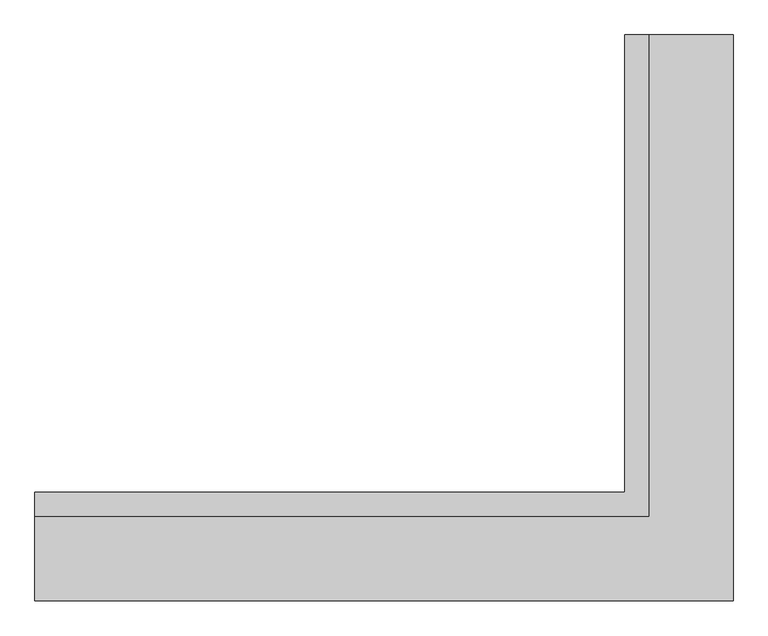
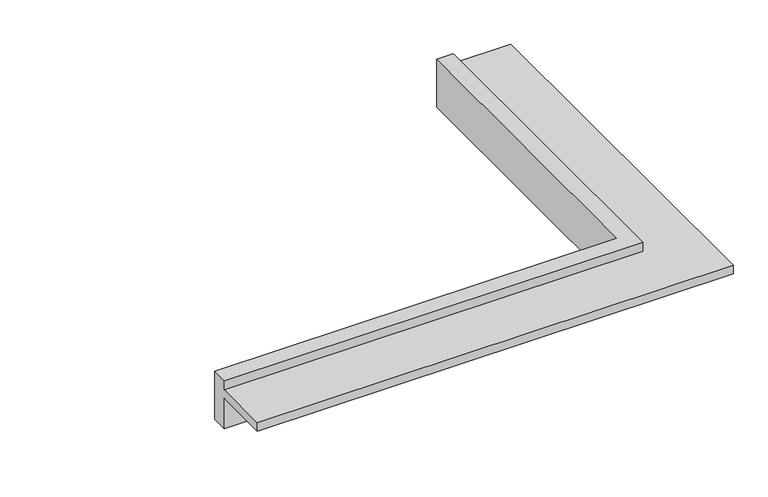
"""IFC4 building model written with IfcOpenShell, lengths in millimetres: fastener geometry."""

from ifc_helpers import new_model, si_unit, origin, place, context, project, spatial, faceted_brep, source, transform, mapped, element, save


def fastener_e1199972(model_context):
    return source(origin(), model_context, "Body", "Brep", [
        faceted_brep([(2732.1877207, 51.187898, 7060.0), (2732.1877207, -148.812102, 7060.0), (2732.1877207, -148.812102, 7450.0), (2732.1877207, -848.812102, 7450.0), (2732.1877207, -848.812102, 7560.0), (2732.1877207, -148.812102, 7560.0), (2732.1877207, -148.812102, 7680.0), (2732.1877207, 51.187898, 7680.0), (7632.0511192, 51.187898, 7680.0), (7632.0511192, 51.187898, 7060.0), (7832.0511192, -148.812102, 7680.0), (7832.0511192, 3851.187898, 7680.0), (7632.0511192, 3851.187898, 7680.0), (7832.0511192, -148.812102, 7560.0), (8532.0511192, -848.812102, 7560.0), (8532.0511192, 3851.187898, 7560.0), (7832.0511192, 3851.187898, 7560.0), (8532.0511192, -848.812102, 7450.0), (7832.0511192, -148.812102, 7450.0), (7832.0511192, 3851.187898, 7450.0), (8532.0511192, 3851.187898, 7450.0), (7832.0511192, -148.812102, 7060.0), (7832.0511192, 3851.187898, 7060.0), (7632.0511192, 3851.187898, 7060.0)], [[[0, 1, 2, 3, 4, 5, 6, 7]], [[0, 7, 8, 9]], [[7, 6, 10, 11, 12, 8]], [[6, 5, 13, 10]], [[5, 4, 14, 15, 16, 13]], [[4, 3, 17, 14]], [[3, 2, 18, 19, 20, 17]], [[2, 1, 21, 18]], [[22, 23, 12, 11, 16, 15, 20, 19]], [[9, 8, 12, 23]], [[10, 13, 16, 11]], [[14, 17, 20, 15]], [[18, 21, 22, 19]], [[0, 9, 23, 22, 21, 1]]]),
    ])


if __name__ == "__main__":
    model = new_model("IFC4")
    model_context = context("Model", 3, world=origin())
    ifc_project = project(units=[si_unit("LENGTHUNIT", "METRE", prefix="MILLI")], contexts=[model_context])
    site = spatial("IfcSite", under=ifc_project)
    building = spatial("IfcBuilding", under=site)
    placement = place(None, origin())
    fastener_shape = fastener_e1199972(model_context)
    element("IfcFastener", 1, at=placement, inside=building, context=model_context, shape_type="MappedRepresentation", body=[
        mapped(fastener_shape, transform((0.0, 0.0, 0.0), x_axis=(1.0, 0.0, 0.0), y_axis=(0.0, 1.0, 0.0), z_axis=(0.0, 0.0, 1.0))),
    ])
    save(model, "model.ifc")
